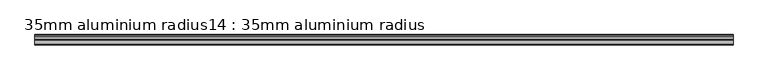
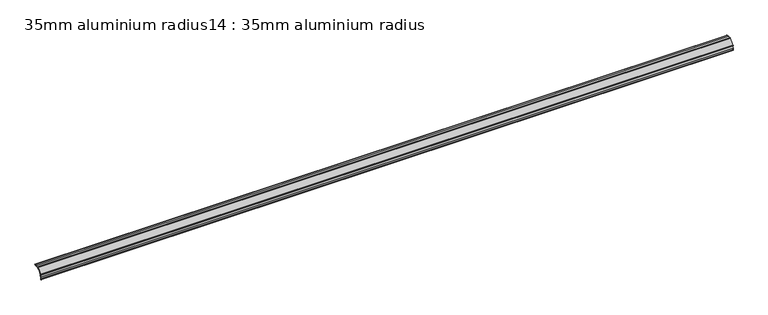
"""IFC4 building model written with IfcOpenShell, lengths in millimetres: proxy geometry, 35mm aluminium radius14 : 35mm aluminium radius."""

from ifc_helpers import new_model, si_unit, point, frame, frame_2d, origin, place, context, project, spatial, polyline, circle_curve, trimmed, segment, composite_curve, outline, extrude, source, transform, mapped, element, save


def proxy_35mm_aluminium_radius14_35mm_aluminium_radius_50a50035(model_context):
    return source(origin(), model_context, "Body", "SweptSolid", [
        extrude(outline(composite_curve([segment(trimmed(circle_curve(frame_2d((-23164.9888532, 1425.7688387)), 0.5), [point((-23165.326048, 1426.1380265))], [point((-23164.6310899, 1425.4195459))], False, "CARTESIAN"), True, "CONTINUOUS"), segment(trimmed(circle_curve(frame_2d((-23166.809268, 1427.482442)), 3.0), [point((-23164.6310899, 1425.4195459))], [point((-23166.8316076, 1424.4825251))], False, "CARTESIAN"), True, "CONTINUOUS"), segment(polyline([(-23166.8316076, 1424.4825251), (-23173.0983091, 1424.5291916)]), True, "CONTINUOUS"), segment(trimmed(circle_curve(frame_2d((-23173.2844723, 1399.5298847)), 25.0), [point((-23173.0983091, 1424.5291916))], [point((-23198.2837791, 1399.7160479))], True, "CARTESIAN"), True, "CONTINUOUS"), segment(polyline([(-23198.2837791, 1399.7160479), (-23198.3304456, 1393.4493464)]), True, "CONTINUOUS"), segment(trimmed(circle_curve(frame_2d((-23201.3303624, 1393.471686)), 3.0), [point((-23198.3304456, 1393.4493464))], [point((-23199.3135958, 1391.2507284))], False, "CARTESIAN"), True, "CONTINUOUS"), segment(trimmed(circle_curve(frame_2d((-23199.6440599, 1391.6259529)), 0.5), [point((-23199.3135958, 1391.2507284))], [point((-23200.0081851, 1391.9686085))], False, "CARTESIAN"), True, "CONTINUOUS"), segment(trimmed(circle_curve(frame_2d((-23202.5838169, 1393.207402)), 2.8580567), [point((-23200.0081851, 1391.9686085))], [point((-23199.7309981, 1393.3803569))], True, "CARTESIAN"), True, "CONTINUOUS"), segment(polyline([(-23199.7309981, 1393.3803569), (-23199.6837403, 1399.726473)]), True, "CONTINUOUS"), segment(trimmed(circle_curve(frame_2d((-23173.2844723, 1399.5298847)), 26.4), [point((-23199.6837403, 1399.726473))], [point((-23198.3828988, 1407.7170078))], False, "CARTESIAN"), True, "CONTINUOUS"), segment(polyline([(-23198.3828988, 1407.7170078), (-23200.024157, 1407.7292298), (-23200.0137319, 1409.129191), (-23197.8836105, 1409.1133286)]), True, "CONTINUOUS"), segment(trimmed(circle_curve(frame_2d((-23173.2844723, 1399.5298847)), 26.4), [point((-23197.8836105, 1409.1133286))], [point((-23182.5005072, 1424.2690177))], False, "CARTESIAN"), True, "CONTINUOUS"), segment(polyline([(-23182.5005072, 1424.2690177), (-23182.4846447, 1426.399139), (-23181.0846836, 1426.3887139), (-23181.0969056, 1424.7474557)]), True, "CONTINUOUS"), segment(trimmed(circle_curve(frame_2d((-23173.2844723, 1399.5298847)), 26.4), [point((-23181.0969056, 1424.7474557))], [point((-23173.087884, 1425.9291528))], False, "CARTESIAN"), True, "CONTINUOUS"), segment(polyline([(-23173.087884, 1425.9291528), (-23166.3796203, 1425.8791981)]), True, "CONTINUOUS"), segment(trimmed(circle_curve(frame_2d((-23166.1093443, 1427.0527479)), 1.2042709), [point((-23166.3796203, 1425.8791981))], [point((-23165.326048, 1426.1380265))], True, "CARTESIAN"), True, "CONTINUOUS")], self_intersect=False)), frame((-5219.6640929, 0.0, 0.0), z_axis=(1.0, 0.0, 0.0), x_axis=(0.0, 1.0, 0.0)), (0.0, 0.0, 1.0), 2400.0),
    ])


if __name__ == "__main__":
    model = new_model("IFC4")
    model_context = context("Model", 3, world=origin())
    ifc_project = project(units=[si_unit("LENGTHUNIT", "METRE", prefix="MILLI")], contexts=[model_context])
    site = spatial("IfcSite", under=ifc_project)
    building = spatial("IfcBuilding", under=site)
    placement = place(None, origin())
    proxy_35mm_aluminium_radius14_35mm_aluminium_radius_shape = proxy_35mm_aluminium_radius14_35mm_aluminium_radius_50a50035(model_context)
    element("IfcBuildingElementProxy", 1, Name="35mm aluminium radius14 : 35mm aluminium radius", ObjectType="35mm aluminium radius14 : 35mm aluminium radius", at=placement, inside=building, context=model_context, shape_type="MappedRepresentation", body=[
        mapped(proxy_35mm_aluminium_radius14_35mm_aluminium_radius_shape, transform((0.0, 0.0, 0.0), x_axis=(1.0, 0.0, 0.0), y_axis=(0.0, 1.0, 0.0), z_axis=(0.0, 0.0, 1.0))),
    ])
    save(model, "model.ifc")
